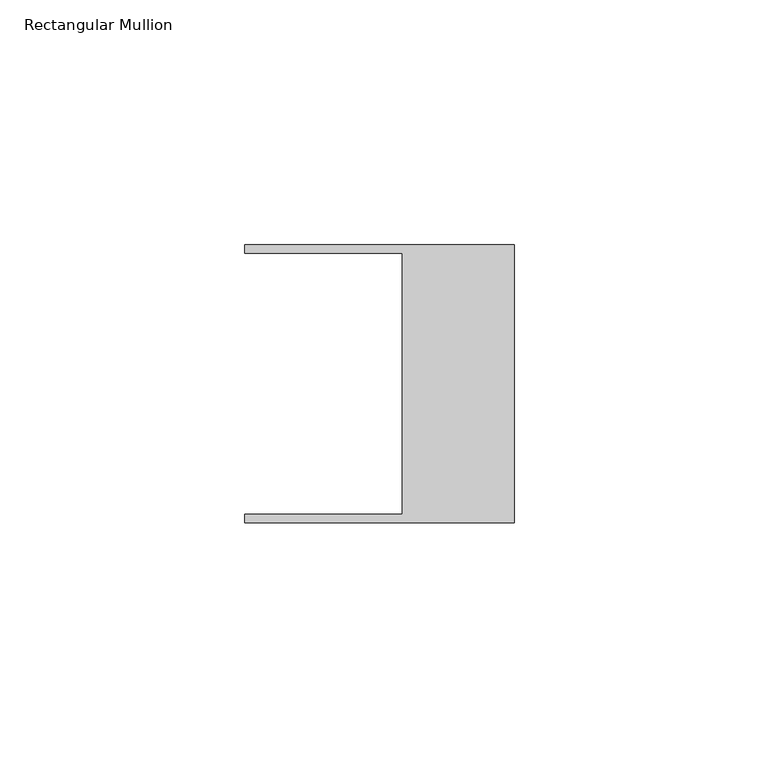
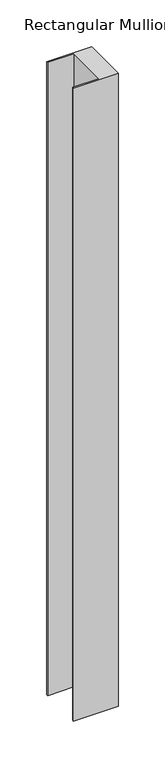
"""IFC4 building model written with IfcOpenShell, lengths in millimetres: member geometry, Rectangular Mullion."""

from ifc_helpers import new_model, si_unit, frame, origin, place, context, project, spatial, polyline, outline, extrude, source, transform, mapped, element, save


def rectangular_mullion_079271c5(model_context):
    return source(origin(), model_context, "Body", "SweptSolid", [
        extrude(outline(polyline([(-55.118, -26.67), (-22.86, -26.67), (-22.86, 26.67), (-55.118, 26.67), (-55.118, 28.448), (0.0, 28.448), (0.0, -28.448), (-55.118, -28.448), (-55.118, -26.67)])), frame((0.0, 0.0, -825.4836856), z_axis=(0.0, 0.0, 1.0), x_axis=(1.0, 0.0, 0.0)), (0.0, 0.0, 1.0), 825.4836856),
    ])


if __name__ == "__main__":
    model = new_model("IFC4")
    model_context = context("Model", 3, world=origin())
    ifc_project = project(units=[si_unit("LENGTHUNIT", "METRE", prefix="MILLI")], contexts=[model_context])
    site = spatial("IfcSite", under=ifc_project)
    building = spatial("IfcBuilding", under=site)
    placement = place(None, origin())
    rectangular_mullion_shape = rectangular_mullion_079271c5(model_context)
    element("IfcMember", 1, ObjectType="Rectangular Mullion", at=placement, inside=building, context=model_context, shape_type="MappedRepresentation", body=[
        mapped(rectangular_mullion_shape, transform((0.0, 0.0, 0.0), x_axis=(1.0, 0.0, 0.0), y_axis=(0.0, 1.0, 0.0), z_axis=(0.0, 0.0, 1.0))),
    ])
    save(model, "model.ifc")
